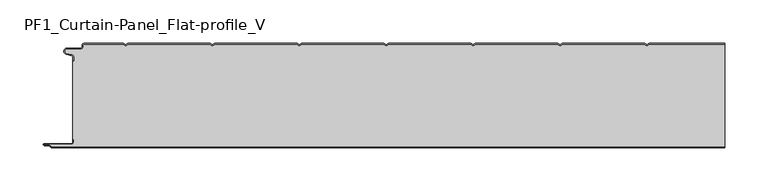
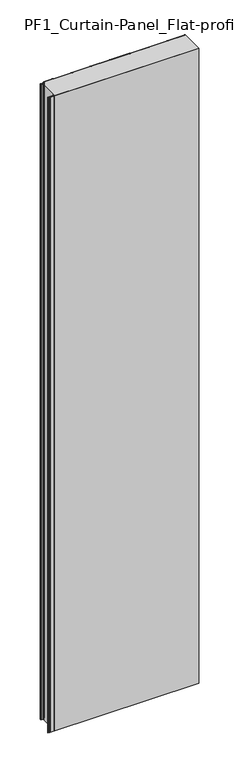
"""IFC4 building model written with IfcOpenShell, lengths in millimetres: plate geometry, PF1_Curtain-Panel_Flat-profile_V."""

from ifc_helpers import new_model, si_unit, point, frame_2d, origin, origin_with_axes, place, context, project, spatial, polyline, circle_curve, trimmed, segment, composite_curve, outline, extrude, source, transform, mapped, element, save


def pf1_curtain_panel_flat_profile_v_9208d29a(model_context):
    return source(origin(), model_context, "Body", "SweptSolid", [
        extrude(outline(composite_curve([segment(trimmed(circle_curve(frame_2d((-377.0, -15.878557)), 2.0), [point((-375.0, -15.878557))], [point((-376.5500978, -13.9298169))], True, "CARTESIAN"), True, "CONTINUOUS"), segment(polyline([(-376.5500978, -13.9298169), (-382.7098239, -12.507732)]), True, "CONTINUOUS"), segment(trimmed(circle_curve(frame_2d((-381.9, -9.0)), 3.6), [point((-382.7098239, -12.507732))], [point((-381.9, -5.4))], False, "CARTESIAN"), True, "CONTINUOUS"), segment(polyline([(-381.9, -5.4), (-366.4, -5.4)]), True, "CONTINUOUS"), segment(trimmed(circle_curve(frame_2d((-366.4, -3.4)), 2.0), [point((-366.4, -5.4))], [point((-364.4, -3.4))], True, "CARTESIAN"), True, "CONTINUOUS"), segment(polyline([(-364.4, -3.4), (-364.4, -2.0)]), True, "CONTINUOUS"), segment(trimmed(circle_curve(frame_2d((-362.4, -2.0)), 2.0), [point((-364.4, -2.0))], [point((-362.4, 0.0))], False, "CARTESIAN"), True, "CONTINUOUS"), segment(polyline([(-362.4, 0.0), (-317.0999995, 0.0), (-314.4, -1.5588455), (-311.7000005, 0.0), (-217.0999995, 0.0), (-214.4, -1.5588455), (-211.7000005, 0.0), (-117.0999995, 0.0), (-114.4, -1.5588455), (-111.7000005, 0.0), (-17.0999995, 0.0), (-14.4, -1.5588455), (-11.7000005, 0.0), (82.9000005, 0.0), (85.6, -1.5588455), (88.2999995, 0.0), (182.9000005, 0.0), (185.6, -1.5588455), (188.2999995, 0.0), (282.9000005, 0.0), (285.6, -1.5588455), (288.2999995, 0.0), (375.0, 0.0), (375.0, -0.8), (288.5143588, -0.8), (285.6, -2.482606), (282.6856412, -0.8), (188.5143588, -0.8), (185.6, -2.482606), (182.6856412, -0.8), (88.5143588, -0.8), (85.6, -2.482606), (82.6856412, -0.8), (-11.4856412, -0.8), (-14.4, -2.482606), (-17.3143588, -0.8), (-111.4856412, -0.8), (-114.4, -2.482606), (-117.3143588, -0.8), (-211.4856412, -0.8), (-214.4, -2.482606), (-217.3143588, -0.8), (-311.4856412, -0.8), (-314.4, -2.482606), (-317.3143588, -0.8), (-362.4, -0.8)]), True, "CONTINUOUS"), segment(trimmed(circle_curve(frame_2d((-362.4, -2.0)), 1.2), [point((-362.4, -0.8))], [point((-363.6, -2.0))], True, "CARTESIAN"), True, "CONTINUOUS"), segment(polyline([(-363.6, -2.0), (-363.6, -3.4)]), True, "CONTINUOUS"), segment(trimmed(circle_curve(frame_2d((-366.4, -3.4)), 2.8), [point((-363.6, -3.4))], [point((-366.4, -6.2))], False, "CARTESIAN"), True, "CONTINUOUS"), segment(polyline([(-366.4, -6.2), (-381.9, -6.2)]), True, "CONTINUOUS"), segment(trimmed(circle_curve(frame_2d((-381.9, -9.0)), 2.8), [point((-381.9, -6.2))], [point((-382.529863, -11.7282362))], True, "CARTESIAN"), True, "CONTINUOUS"), segment(polyline([(-382.529863, -11.7282362), (-376.370137, -13.150321)]), True, "CONTINUOUS"), segment(trimmed(circle_curve(frame_2d((-377.0, -15.878557)), 2.8), [point((-376.370137, -13.150321))], [point((-374.2, -15.878557))], False, "CARTESIAN"), True, "CONTINUOUS"), segment(polyline([(-374.2, -15.878557), (-374.2, -20.0), (-375.0, -20.0), (-375.0, -15.878557)]), True, "CONTINUOUS")], self_intersect=False)), origin_with_axes(), (0.0, 0.0, 1.0), 3500.0),
        extrude(outline(composite_curve([segment(polyline([(-374.2, -110.0), (-375.0, -110.0), (-375.0, -20.0), (-374.2, -20.0), (-374.2, -15.878557)]), True, "CONTINUOUS"), segment(trimmed(circle_curve(frame_2d((-377.0, -15.878557)), 2.8), [point((-374.2, -15.878557))], [point((-376.370137, -13.1503208))], True, "CARTESIAN"), True, "CONTINUOUS"), segment(polyline([(-376.370137, -13.1503208), (-382.529863, -11.7282362)]), True, "CONTINUOUS"), segment(trimmed(circle_curve(frame_2d((-381.9, -9.0)), 2.8), [point((-382.529863, -11.7282362))], [point((-381.9, -6.2))], False, "CARTESIAN"), True, "CONTINUOUS"), segment(polyline([(-381.9, -6.2), (-366.4, -6.2)]), True, "CONTINUOUS"), segment(trimmed(circle_curve(frame_2d((-366.4, -3.4)), 2.8), [point((-366.4, -6.2))], [point((-363.6, -3.4))], True, "CARTESIAN"), True, "CONTINUOUS"), segment(polyline([(-363.6, -3.4), (-363.6, -2.0)]), True, "CONTINUOUS"), segment(trimmed(circle_curve(frame_2d((-362.4, -2.0)), 1.2), [point((-363.6, -2.0))], [point((-362.4, -0.8))], False, "CARTESIAN"), True, "CONTINUOUS"), segment(polyline([(-362.4, -0.8), (-317.3143588, -0.8), (-314.4, -2.482606), (-311.4856412, -0.8), (-217.3143588, -0.8), (-214.4, -2.482606), (-211.4856412, -0.8), (-117.3143588, -0.8), (-114.4, -2.482606), (-111.4856412, -0.8), (-17.3143588, -0.8), (-14.4, -2.482606), (-11.4856412, -0.8), (82.6856412, -0.8), (85.6, -2.482606), (88.5143588, -0.8), (182.6856412, -0.8), (185.6, -2.482606), (188.5143588, -0.8), (282.6856412, -0.8), (285.6, -2.482606), (288.5143588, -0.8), (375.0, -0.8), (375.0, -119.2), (-399.4, -119.2)]), True, "CONTINUOUS"), segment(trimmed(circle_curve(frame_2d((-399.4, -118.4)), 0.8), [point((-399.4, -119.2))], [point((-400.2, -118.4))], False, "CARTESIAN"), True, "CONTINUOUS"), segment(trimmed(circle_curve(frame_2d((-401.9, -118.6133333)), 1.7133333), [point((-400.2, -118.4))], [point((-401.9, -116.9))], True, "CARTESIAN"), True, "CONTINUOUS"), segment(polyline([(-401.9, -116.9), (-407.8700312, -116.9)]), True, "CONTINUOUS"), segment(trimmed(circle_curve(frame_2d((-407.8700312, -116.6)), 0.3), [point((-407.8700312, -116.9))], [point((-407.8700312, -116.3))], False, "CARTESIAN"), True, "CONTINUOUS"), segment(polyline([(-407.8700312, -116.3), (-377.0, -116.3)]), True, "CONTINUOUS"), segment(trimmed(circle_curve(frame_2d((-377.0, -113.5)), 2.8), [point((-377.0, -116.3))], [point((-374.2, -113.5))], True, "CARTESIAN"), True, "CONTINUOUS"), segment(polyline([(-374.2, -113.5), (-374.2, -110.0)]), True, "CONTINUOUS")], self_intersect=False)), origin_with_axes(), (0.0, 0.0, 1.0), 3500.0),
        extrude(outline(composite_curve([segment(polyline([(-375.0, -110.0), (-374.2, -110.0), (-374.2, -113.5)]), True, "CONTINUOUS"), segment(trimmed(circle_curve(frame_2d((-377.0, -113.5)), 2.8), [point((-374.2, -113.5))], [point((-377.0, -116.3))], False, "CARTESIAN"), True, "CONTINUOUS"), segment(polyline([(-377.0, -116.3), (-407.8700312, -116.3)]), True, "CONTINUOUS"), segment(trimmed(circle_curve(frame_2d((-407.8700312, -116.6)), 0.3), [point((-407.8700312, -116.3))], [point((-407.8700312, -116.9))], True, "CARTESIAN"), True, "CONTINUOUS"), segment(polyline([(-407.8700312, -116.9), (-401.9, -116.9)]), True, "CONTINUOUS"), segment(trimmed(circle_curve(frame_2d((-401.9, -118.6133333)), 1.7133333), [point((-401.9, -116.9))], [point((-400.2, -118.4))], False, "CARTESIAN"), True, "CONTINUOUS"), segment(trimmed(circle_curve(frame_2d((-399.4, -118.4)), 0.8), [point((-400.2, -118.4))], [point((-399.4, -119.2))], True, "CARTESIAN"), True, "CONTINUOUS"), segment(polyline([(-399.4, -119.2), (375.0, -119.2), (375.0, -120.0), (-399.4, -120.0)]), True, "CONTINUOUS"), segment(trimmed(circle_curve(frame_2d((-399.4, -118.4)), 1.6), [point((-399.4, -120.0))], [point((-401.0, -118.4))], False, "CARTESIAN"), True, "CONTINUOUS"), segment(trimmed(circle_curve(frame_2d((-401.9, -118.4)), 0.9), [point((-401.0, -118.4))], [point((-401.9, -117.5))], True, "CARTESIAN"), True, "CONTINUOUS"), segment(polyline([(-401.9, -117.5), (-408.0, -117.5)]), True, "CONTINUOUS"), segment(trimmed(circle_curve(frame_2d((-408.0, -116.5)), 1.0), [point((-408.0, -117.5))], [point((-408.0, -115.5))], False, "CARTESIAN"), True, "CONTINUOUS"), segment(polyline([(-408.0, -115.5), (-377.0, -115.5)]), True, "CONTINUOUS"), segment(trimmed(circle_curve(frame_2d((-377.0, -113.5)), 2.0), [point((-377.0, -115.5))], [point((-375.0, -113.5))], True, "CARTESIAN"), True, "CONTINUOUS"), segment(polyline([(-375.0, -113.5), (-375.0, -110.0)]), True, "CONTINUOUS")], self_intersect=False)), origin_with_axes(), (0.0, 0.0, 1.0), 3500.0),
    ])


if __name__ == "__main__":
    model = new_model("IFC4")
    model_context = context("Model", 3, world=origin())
    ifc_project = project(units=[si_unit("LENGTHUNIT", "METRE", prefix="MILLI")], contexts=[model_context])
    site = spatial("IfcSite", under=ifc_project)
    building = spatial("IfcBuilding", under=site)
    placement = place(None, origin())
    pf1_curtain_panel_flat_profile_v_shape = pf1_curtain_panel_flat_profile_v_9208d29a(model_context)
    element("IfcPlate", 1, ObjectType="PF1_Curtain-Panel_Flat-profile_V", at=placement, inside=building, context=model_context, shape_type="MappedRepresentation", body=[
        mapped(pf1_curtain_panel_flat_profile_v_shape, transform((0.0, 0.0, 0.0), x_axis=(1.0, 0.0, 0.0), y_axis=(0.0, 1.0, 0.0), z_axis=(0.0, 0.0, 1.0))),
    ])
    save(model, "model.ifc")
